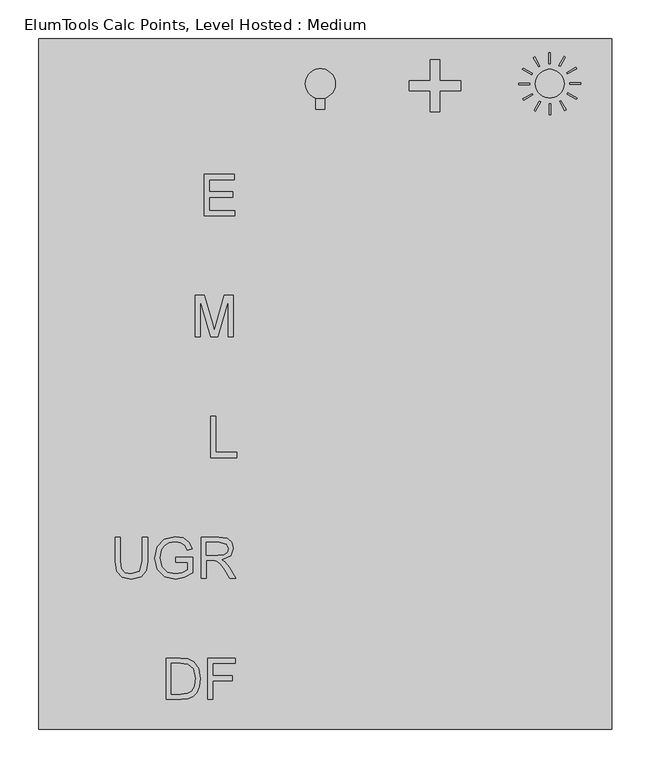
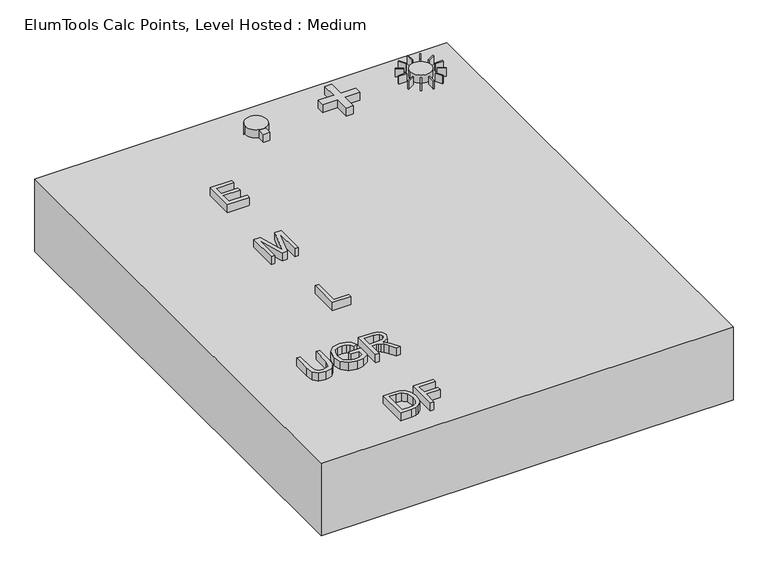
"""IFC4 building model written with IfcOpenShell, lengths in millimetres: proxy geometry, ElumTools Calc Points, Level Hosted : Medium."""

from ifc_helpers import new_model, si_unit, point, frame, frame_2d, origin, origin_with_axes, place, context, project, spatial, polyline, circle_curve, trimmed, segment, composite_curve, outline, extrude, source, transform, mapped, element, save


def elumtools_calc_points_level_hosted_medium_68a1bb5d(model_context):
    return source(origin(), model_context, "Body", "SweptSolid", [
        extrude(outline(polyline([(-142.873857, 419.49243), (-142.873857, 405.770715), (-154.635327, 405.770715), (-154.635327, 419.49243), (-142.873857, 419.49243)])), frame((0.0, 0.0, -76.2), z_axis=(0.0, 0.0, 1.0), x_axis=(1.0, 0.0, 0.0)), (0.0, 0.0, 1.0), 152.4),
        extrude(outline(composite_curve([segment(trimmed(circle_curve(frame_2d((-148.754592, 439.09488)), 19.60245), [point((-168.357042, 439.09488))], [point((-129.152142, 439.09488))], False, "CARTESIAN"), True, "CONTINUOUS"), segment(trimmed(circle_curve(frame_2d((-148.754592, 439.09488)), 19.60245), [point((-129.152142, 439.09488))], [point((-168.357042, 439.09488))], False, "CARTESIAN"), True, "CONTINUOUS")], self_intersect=False)), frame((0.0, 0.0, -76.2), z_axis=(0.0, 0.0, 1.0), x_axis=(1.0, 0.0, 0.0)), (0.0, 0.0, 1.0), 152.4),
        extrude(outline(polyline([(169.1662008, 473.6550736), (162.1933293, 461.5777058), (160.5830136, 462.507422), (167.5558851, 474.5847898), (169.1662008, 473.6550736)])), frame((0.0, 0.0, -76.2), z_axis=(0.0, 0.0, 1.0), x_axis=(1.0, 0.0, 0.0)), (0.0, 0.0, 1.0), 152.4),
        extrude(outline(polyline([(183.7116606, 458.8190812), (171.6342928, 451.8462097), (170.7045766, 453.4565254), (182.7819444, 460.4293969), (183.7116606, 458.8190812)])), frame((0.0, 0.0, -76.2), z_axis=(0.0, 0.0, 1.0), x_axis=(1.0, 0.0, 0.0)), (0.0, 0.0, 1.0), 152.4),
        extrude(outline(polyline([(188.890402, 438.698005), (174.944659, 438.698005), (174.944659, 440.5574374), (188.890402, 440.5574374), (188.890402, 438.698005)])), frame((0.0, 0.0, -76.2), z_axis=(0.0, 0.0, 1.0), x_axis=(1.0, 0.0, 0.0)), (0.0, 0.0, 1.0), 152.4),
        extrude(outline(polyline([(183.3147856, 418.6832712), (171.2374178, 425.6561427), (172.167134, 427.2664584), (184.2445018, 420.2935869), (183.3147856, 418.6832712)])), frame((0.0, 0.0, -76.2), z_axis=(0.0, 0.0, 1.0), x_axis=(1.0, 0.0, 0.0)), (0.0, 0.0, 1.0), 152.4),
        extrude(outline(polyline([(168.4787932, 404.1378114), (161.5059217, 416.2151792), (163.1162374, 417.1448954), (170.0891089, 405.0675276), (168.4787932, 404.1378114)])), frame((0.0, 0.0, -76.2), z_axis=(0.0, 0.0, 1.0), x_axis=(1.0, 0.0, 0.0)), (0.0, 0.0, 1.0), 152.4),
        extrude(outline(polyline([(148.357717, 398.95907), (148.357717, 412.904813), (150.2171494, 412.904813), (150.2171494, 398.95907), (148.357717, 398.95907)])), frame((0.0, 0.0, -76.2), z_axis=(0.0, 0.0, 1.0), x_axis=(1.0, 0.0, 0.0)), (0.0, 0.0, 1.0), 152.4),
        extrude(outline(polyline([(128.3429832, 404.5346864), (135.3158547, 416.6120542), (136.9261704, 415.682338), (129.9532989, 403.6049702), (128.3429832, 404.5346864)])), frame((0.0, 0.0, -76.2), z_axis=(0.0, 0.0, 1.0), x_axis=(1.0, 0.0, 0.0)), (0.0, 0.0, 1.0), 152.4),
        extrude(outline(polyline([(113.7975234, 419.3706788), (125.8748912, 426.3435503), (126.8046074, 424.7332346), (114.7272396, 417.7603631), (113.7975234, 419.3706788)])), frame((0.0, 0.0, -76.2), z_axis=(0.0, 0.0, 1.0), x_axis=(1.0, 0.0, 0.0)), (0.0, 0.0, 1.0), 152.4),
        extrude(outline(polyline([(108.618782, 439.491755), (122.564525, 439.491755), (122.564525, 437.6323226), (108.618782, 437.6323226), (108.618782, 439.491755)])), frame((0.0, 0.0, -76.2), z_axis=(0.0, 0.0, 1.0), x_axis=(1.0, 0.0, 0.0)), (0.0, 0.0, 1.0), 152.4),
        extrude(outline(polyline([(114.1943984, 459.5064888), (126.2717662, 452.5336173), (125.34205, 450.9233016), (113.2646822, 457.8961731), (114.1943984, 459.5064888)])), frame((0.0, 0.0, -76.2), z_axis=(0.0, 0.0, 1.0), x_axis=(1.0, 0.0, 0.0)), (0.0, 0.0, 1.0), 152.4),
        extrude(outline(polyline([(129.0303908, 474.0519486), (136.0032623, 461.9745808), (134.3929466, 461.0448646), (127.4200751, 473.1222324), (129.0303908, 474.0519486)])), frame((0.0, 0.0, -76.2), z_axis=(0.0, 0.0, 1.0), x_axis=(1.0, 0.0, 0.0)), (0.0, 0.0, 1.0), 152.4),
        extrude(outline(polyline([(149.151467, 479.23069), (149.151467, 465.284947), (147.2920346, 465.284947), (147.2920346, 479.23069), (149.151467, 479.23069)])), frame((0.0, 0.0, -76.2), z_axis=(0.0, 0.0, 1.0), x_axis=(1.0, 0.0, 0.0)), (0.0, 0.0, 1.0), 152.4),
        extrude(outline(composite_curve([segment(trimmed(circle_curve(frame_2d((148.754592, 439.09488)), 18.594324), [point((130.160268, 439.09488))], [point((167.348916, 439.09488))], False, "CARTESIAN"), True, "CONTINUOUS"), segment(trimmed(circle_curve(frame_2d((148.754592, 439.09488)), 18.594324), [point((167.348916, 439.09488))], [point((130.160268, 439.09488))], False, "CARTESIAN"), True, "CONTINUOUS")], self_intersect=False)), frame((0.0, 0.0, -76.2), z_axis=(0.0, 0.0, 1.0), x_axis=(1.0, 0.0, 0.0)), (0.0, 0.0, 1.0), 152.4),
        extrude(outline(polyline([(-348.6768345, -359.4305232), (-348.6768345, -305.8512974), (-330.1935713, -305.8512974), (-320.6314585, -306.6230685), (-312.7567774, -310.4557621), (-306.4125576, -319.6123681), (-304.3065382, -332.3531313), (-305.7323525, -343.1644667), (-309.3949949, -350.9672031), (-314.2872387, -355.8267447), (-320.6903224, -358.5148626), (-329.3040725, -359.4305232), (-348.6768345, -359.4305232)]), holes=[polyline([(-341.9794313, -352.73312), (-330.128167, -352.73312), (-321.5078765, -351.7651359), (-316.5371476, -349.031235), (-312.4624579, -342.3796148), (-311.0039414, -332.2484843), (-313.8621106, -319.5600446), (-320.8145907, -313.6213316), (-330.3112991, -312.5487006), (-341.9794313, -312.5487006), (-341.9794313, -352.73312)])]), frame((0.0, 0.0, -76.2), z_axis=(0.0, 0.0, 1.0), x_axis=(1.0, 0.0, 0.0)), (0.0, 0.0, 1.0), 152.4),
        extrude(outline(polyline([(-295.0976087, -359.4305232), (-295.0976087, -305.8512974), (-259.0990664, -305.8512974), (-259.0990664, -312.5487006), (-288.4002055, -312.5487006), (-288.4002055, -328.4550333), (-263.2849434, -328.4550333), (-263.2849434, -335.1524365), (-288.4002055, -335.1524365), (-288.4002055, -359.4305232), (-295.0976087, -359.4305232)])), frame((0.0, 0.0, -76.2), z_axis=(0.0, 0.0, 1.0), x_axis=(1.0, 0.0, 0.0)), (0.0, 0.0, 1.0), 152.4),
        extrude(outline(polyline([(-379.6523245, -149.0316974), (-372.9549212, -149.0316974), (-372.9549212, -179.941783), (-374.7731616, -192.7544909), (-381.3266753, -200.4722017), (-393.7534977, -203.4480986), (-405.9906475, -200.8580872), (-412.7796168, -193.3562107), (-414.8136914, -179.941783), (-414.8136914, -149.0316974), (-408.1162882, -149.0316974), (-408.1162882, -179.7063274), (-406.7951207, -189.9159431), (-402.2560603, -194.9716976), (-394.3813792, -196.7506954), (-383.0402687, -193.2319425), (-379.6523245, -179.7063274), (-379.6523245, -149.0316974)])), frame((0.0, 0.0, -76.2), z_axis=(0.0, 0.0, 1.0), x_axis=(1.0, 0.0, 0.0)), (0.0, 0.0, 1.0), 152.4),
        extrude(outline(polyline([(-336.1192035, -181.6815381), (-336.1192035, -174.9841349), (-314.352643, -174.9841349), (-314.352643, -195.0109402), (-325.0985742, -201.3289984), (-336.459306, -203.4480986), (-350.7632326, -200.0797757), (-360.4692349, -190.3279903), (-363.7459918, -176.0829276), (-360.4823158, -161.5173837), (-351.0967947, -151.4778193), (-336.9956215, -148.194522), (-326.5178481, -150.097788), (-319.172942, -155.3955386), (-315.1244141, -164.257825), (-321.2985827, -165.9975802), (-324.3529648, -159.8037903), (-329.5722302, -156.232714), (-337.1002684, -154.8919252), (-345.6747759, -156.3373609), (-351.508842, -160.1308119), (-354.9556501, -165.2912134), (-357.0485886, -175.8082294), (-354.5305219, -187.482902), (-347.2052372, -194.4680843), (-336.9956215, -196.7506954), (-327.8324751, -195.0305615), (-321.0500462, -191.3613787), (-321.0500462, -181.6815381), (-336.1192035, -181.6815381)])), frame((0.0, 0.0, -76.2), z_axis=(0.0, 0.0, 1.0), x_axis=(1.0, 0.0, 0.0)), (0.0, 0.0, 1.0), 152.4),
        extrude(outline(polyline([(-303.4693628, -202.6109232), (-303.4693628, -149.0316974), (-280.3816349, -149.0316974), (-269.6618654, -150.4771331), (-263.8016376, -155.5917515), (-261.6105926, -163.6953478), (-265.2405328, -173.3490267), (-276.4573752, -178.3328365), (-272.6508432, -181.1975461), (-267.222284, -188.0911623), (-258.2880527, -202.6109232), (-266.0711678, -202.6109232), (-273.0432692, -191.5052682), (-278.0794025, -184.1538217), (-281.6177767, -180.6808519), (-284.8029675, -179.4054675), (-288.6879846, -179.1700119), (-296.7719596, -179.1700119), (-296.7719596, -202.6109232), (-303.4693628, -202.6109232)]), holes=[polyline([(-296.7719596, -172.4726087), (-281.7812875, -172.4726087), (-274.1355215, -171.5242459), (-269.7926741, -168.4894851), (-268.3079958, -163.9438843), (-271.1400033, -158.0444139), (-280.0938558, -155.7291006), (-296.7719596, -155.7291006), (-296.7719596, -172.4726087)])]), frame((0.0, 0.0, -76.2), z_axis=(0.0, 0.0, 1.0), x_axis=(1.0, 0.0, 0.0)), (0.0, 0.0, 1.0), 152.4),
        extrude(outline(polyline([(-290.9117317, -45.7913232), (-290.9117317, 7.7879026), (-284.2143285, 7.7879026), (-284.2143285, -39.09392), (-257.4247156, -39.09392), (-257.4247156, -45.7913232), (-290.9117317, -45.7913232)])), frame((0.0, 0.0, -76.2), z_axis=(0.0, 0.0, 1.0), x_axis=(1.0, 0.0, 0.0)), (0.0, 0.0, 1.0), 152.4),
        extrude(outline(polyline([(-311.0039414, 111.0282768), (-311.0039414, 164.6075026), (-299.4796987, 164.6075026), (-288.5179333, 126.8430434), (-286.307267, 118.9552814), (-283.9134686, 127.4970867), (-273.1348353, 164.6075026), (-261.6105926, 164.6075026), (-261.6105926, 111.0282768), (-268.3079958, 111.0282768), (-268.3079958, 157.9100994), (-281.7682066, 111.0282768), (-290.8463274, 111.0282768), (-304.3065382, 157.9100994), (-304.3065382, 111.0282768), (-311.0039414, 111.0282768)])), frame((0.0, 0.0, -76.2), z_axis=(0.0, 0.0, 1.0), x_axis=(1.0, 0.0, 0.0)), (0.0, 0.0, 1.0), 152.4),
        extrude(outline(polyline([(-299.2834858, 267.8478768), (-299.2834858, 321.4271026), (-260.7734172, 321.4271026), (-260.7734172, 314.7296994), (-292.5860825, 314.7296994), (-292.5860825, 298.8233667), (-262.447768, 298.8233667), (-262.447768, 292.1259635), (-292.5860825, 292.1259635), (-292.5860825, 274.54528), (-259.9362418, 274.54528), (-259.9362418, 267.8478768), (-299.2834858, 267.8478768)])), frame((0.0, 0.0, -76.2), z_axis=(0.0, 0.0, 1.0), x_axis=(1.0, 0.0, 0.0)), (0.0, 0.0, 1.0), 152.4),
        extrude(outline(polyline([(-6.4078901, 403.0504981), (-6.4078901, 430.2840311), (-33.6414231, 430.2840311), (-33.6414231, 443.0998113), (-6.4078901, 443.0998113), (-6.4078901, 470.3333443), (6.4078901, 470.3333443), (6.4078901, 443.0998113), (33.6414231, 443.0998113), (33.6414231, 430.2840311), (6.4078901, 430.2840311), (6.4078901, 403.0504981), (-6.4078901, 403.0504981)])), origin_with_axes(), (0.0, 0.0, 1.0), 76.2),
        extrude(outline(polyline([(229.481888, 497.713), (229.481888, -398.399), (-514.291072, -398.399), (-514.291072, 497.713), (229.481888, 497.713)])), frame((0.0, 0.0, -77.7875), z_axis=(0.0, 0.0, 1.0), x_axis=(1.0, 0.0, 0.0)), (0.0, 0.0, 1.0), 138.7475),
    ])


if __name__ == "__main__":
    model = new_model("IFC4")
    model_context = context("Model", 3, world=origin())
    ifc_project = project(units=[si_unit("LENGTHUNIT", "METRE", prefix="MILLI")], contexts=[model_context])
    site = spatial("IfcSite", under=ifc_project)
    building = spatial("IfcBuilding", under=site)
    placement = place(None, origin())
    elumtools_calc_points_level_hosted_medium_shape = elumtools_calc_points_level_hosted_medium_68a1bb5d(model_context)
    element("IfcBuildingElementProxy", 1, Name="ElumTools Calc Points, Level Hosted : Medium", ObjectType="ElumTools Calc Points, Level Hosted : Medium", at=placement, inside=building, context=model_context, shape_type="MappedRepresentation", body=[
        mapped(elumtools_calc_points_level_hosted_medium_shape, transform((0.0, 0.0, 0.0), x_axis=(1.0, 0.0, 0.0), y_axis=(0.0, 1.0, 0.0), z_axis=(0.0, 0.0, 1.0))),
    ])
    save(model, "model.ifc")
